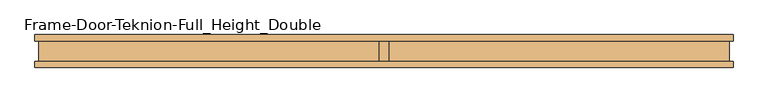
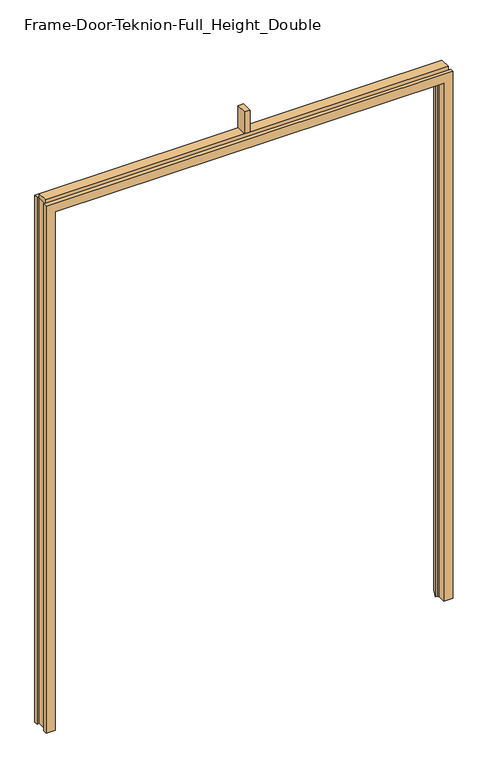
"""IFC4 building model written with IfcOpenShell, lengths in millimetres: door geometry, Frame-Door-Teknion-Full_Height_Double."""

from ifc_helpers import new_model, si_unit, frame, origin, place, context, project, spatial, polyline, outline, extrude, faceted_brep, source, transform, mapped, element, save


def frame_door_teknion_full_height_double_649dfa20(model_context):
    return source(origin(), model_context, "Body", "SolidModel", [
        faceted_brep([(-1008.7894347, -50.038, 0.0), (-1056.8208347, -50.038, 0.0), (-1056.8208347, -30.7719997, 0.0), (-1045.8152344, -30.7719997, 0.0), (-1045.8152344, 30.7719997, 0.0), (-1056.8208347, 30.7719997, 0.0), (-1056.8208347, 50.038, 0.0), (-1014.9105299, 50.038, 0.0), (-992.4634123, -0.7133435, 0.0), (-1005.3858347, -0.7133435, 0.0), (-1005.3858347, -9.6287435, 0.0), (-1008.7894347, -9.6287435, 0.0), (-1008.7894347, -9.6287435, 2842.4886), (-1008.7894347, -50.038, 2842.4886), (-1005.3858347, -9.6287435, 2839.085), (1005.3858347, -9.6287435, 2839.085), (1005.3858347, -9.6287435, 0.0), (1008.7894347, -9.6287435, 0.0), (1008.7894347, -9.6287435, 2842.4886), (-1005.3858347, -0.7133435, 2839.085), (-992.4634123, -0.7133435, 2826.1625776), (992.4634123, -0.7133435, 2826.1625776), (992.4634123, -0.7133435, 0.0), (1005.3858347, -0.7133435, 0.0), (1005.3858347, -0.7133435, 2839.085), (-1014.9105299, 50.038, 2848.6096953), (-1056.8208347, 50.038, 2890.52), (1056.8208347, 50.038, 2890.52), (1056.8208347, 50.038, 0.0), (1014.9105299, 50.038, 0.0), (1014.9105299, 50.038, 2848.6096953), (-1056.8208347, 30.7719997, 2890.52), (-1045.8152344, 30.7719997, 2879.5143997), (1045.8152344, 30.7719997, 2879.5143997), (1045.8152344, 30.7719997, 0.0), (1056.8208347, 30.7719997, 0.0), (1056.8208347, 30.7719997, 2890.52), (-1045.8152344, -30.7719997, 2879.5143997), (-1056.8208347, -30.7719997, 2890.52), (1056.8208347, -30.7719997, 2890.52), (1056.8208347, -30.7719997, 0.0), (1045.8152344, -30.7719997, 0.0), (1045.8152344, -30.7719997, 2879.5143997), (-1056.8208347, -50.038, 2890.52), (1008.7894347, -50.038, 2842.4886), (1008.7894347, -50.038, 0.0), (1056.8208347, -50.038, 0.0), (1056.8208347, -50.038, 2890.52)], [[[0, 1, 2, 3, 4, 5, 6, 7, 8, 9, 10, 11]], [[11, 12, 13, 0]], [[10, 14, 15, 16, 17, 18, 12, 11]], [[9, 19, 14, 10]], [[8, 20, 21, 22, 23, 24, 19, 9]], [[7, 25, 20, 8]], [[6, 26, 27, 28, 29, 30, 25, 7]], [[5, 31, 26, 6]], [[4, 32, 33, 34, 35, 36, 31, 5]], [[3, 37, 32, 4]], [[2, 38, 39, 40, 41, 42, 37, 3]], [[1, 43, 38, 2]], [[0, 13, 44, 45, 46, 47, 43, 1]], [[18, 17, 45, 44]], [[45, 17, 16, 23, 22, 29, 28, 35, 34, 41, 40, 46]], [[24, 23, 16, 15]], [[30, 29, 22, 21]], [[36, 35, 28, 27]], [[42, 41, 34, 33]], [[47, 46, 40, 39]], [[12, 18, 44, 13]], [[19, 24, 15, 14]], [[25, 30, 21, 20]], [[31, 36, 27, 26]], [[37, 42, 33, 32]], [[43, 47, 39, 38]]]),
        extrude(outline(polyline([(-1045.8152344, 29.21), (1045.8152344, 29.21), (1045.8152344, -29.21), (-1045.8152344, -29.21), (-1045.8152344, 29.21)])), frame((0.0, 0.0, 2879.725), z_axis=(0.0, 0.0, 1.0), x_axis=(1.0, 0.0, 0.0)), (0.0, 0.0, 1.0), 27.94),
        extrude(outline(polyline([(-13.9898437, 28.971875), (13.9898438, 28.971875), (13.9898438, -28.971875), (-13.9898437, -28.971875), (-13.9898437, 28.971875)])), frame((0.0, 0.0, 2907.665), z_axis=(0.0, 0.0, 1.0), x_axis=(1.0, 0.0, 0.0)), (0.0, 0.0, 1.0), 121.285),
    ])


if __name__ == "__main__":
    model = new_model("IFC4")
    model_context = context("Model", 3, world=origin())
    ifc_project = project(units=[si_unit("LENGTHUNIT", "METRE", prefix="MILLI")], contexts=[model_context])
    site = spatial("IfcSite", under=ifc_project)
    building = spatial("IfcBuilding", under=site)
    placement = place(None, origin())
    frame_door_teknion_full_height_double_shape = frame_door_teknion_full_height_double_649dfa20(model_context)
    element("IfcDoor", 1, ObjectType="Frame-Door-Teknion-Full_Height_Double", at=placement, inside=building, context=model_context, shape_type="MappedRepresentation", body=[
        mapped(frame_door_teknion_full_height_double_shape, transform((0.0, 0.0, 0.0), x_axis=(1.0, 0.0, 0.0), y_axis=(0.0, 1.0, 0.0), z_axis=(0.0, 0.0, 1.0))),
    ])
    save(model, "model.ifc")
